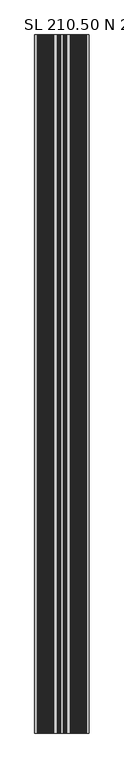
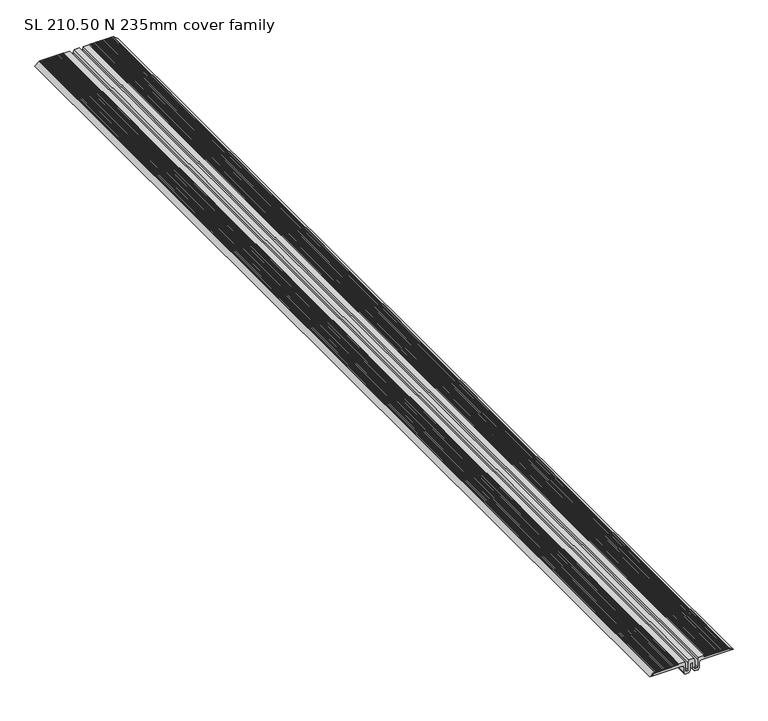
"""IFC4 building model written with IfcOpenShell, lengths in millimetres: proxy geometry, SL 210.50 N 235mm cover family."""

from ifc_helpers import new_model, si_unit, point, frame, frame_2d, origin, place, context, project, spatial, polyline, circle_curve, trimmed, segment, composite_curve, outline, extrude, source, transform, mapped, element, save


def sl_210_50_n_235mm_cover_family_3dd78d69(model_context):
    return source(origin(), model_context, "Body", "SweptSolid", [
        extrude(outline(composite_curve([segment(trimmed(circle_curve(frame_2d((22.1570887, -28.2676882)), 5.0), [point((27.1570887, -28.2676882))], [point((22.1570887, -23.2676882))], True, "CARTESIAN"), True, "CONTINUOUS"), segment(polyline([(22.1570887, -23.2676882), (6.2056963, -23.2676882), (0.4894785, -19.8272157), (0.4894785, -8.2685828), (6.2744174, -4.9291668), (24.1570887, -4.9291668)]), True, "CONTINUOUS"), segment(trimmed(circle_curve(frame_2d((24.1570887, -1.9291668)), 3.0), [point((24.1570887, -4.9291668))], [point((27.1570887, -1.9291668))], True, "CARTESIAN"), True, "CONTINUOUS"), segment(polyline([(27.1570887, -1.9291668), (27.1570887, 0.1613583)]), True, "CONTINUOUS"), segment(trimmed(circle_curve(frame_2d((24.1570887, 0.1613583)), 3.0), [point((27.1570887, 0.1613583))], [point((24.1570887, 3.1613583))], True, "CARTESIAN"), True, "CONTINUOUS"), segment(polyline([(24.1570887, 3.1613583), (6.2744174, 3.1613583), (0.4894785, 6.5007744), (0.4894785, 18.0594073), (6.2056963, 21.4998797), (22.1570887, 21.4998797)]), True, "CONTINUOUS"), segment(trimmed(circle_curve(frame_2d((22.1570887, 26.4998797)), 5.0), [point((22.1570887, 21.4998797))], [point((27.1570887, 26.4998797))], True, "CARTESIAN"), True, "CONTINUOUS"), segment(polyline([(27.1570887, 26.4998797), (27.1570887, 111.3047017), (33.3525938, 103.7199089), (33.3525938, 34.6594855), (37.7024906, 34.6594855), (37.7024906, 18.1378429), (31.3554199, 16.4433157), (10.0656007, 16.4433157)]), True, "CONTINUOUS"), segment(trimmed(circle_curve(frame_2d((10.0656007, 13.5084813)), 2.9348344), [point((10.0656007, 16.4433157))], [point((7.1307663, 13.5084813))], True, "CARTESIAN"), True, "CONTINUOUS"), segment(polyline([(7.1307663, 13.5084813), (7.1307663, 10.9055127)]), True, "CONTINUOUS"), segment(trimmed(circle_curve(frame_2d((10.0656007, 10.9055127)), 2.9348344), [point((7.1307663, 10.9055127))], [point((10.0656007, 7.9706784))], True, "CARTESIAN"), True, "CONTINUOUS"), segment(polyline([(10.0656007, 7.9706784), (31.3554199, 7.9706784), (38.3371978, 6.1702438), (38.3371978, -7.9380522), (31.3554199, -9.7384868), (10.0656007, -9.7384868)]), True, "CONTINUOUS"), segment(trimmed(circle_curve(frame_2d((10.0656007, -12.6733212)), 2.9348344), [point((10.0656007, -9.7384868))], [point((7.1307663, -12.6733212))], True, "CARTESIAN"), True, "CONTINUOUS"), segment(polyline([(7.1307663, -12.6733212), (7.1307663, -15.2762898)]), True, "CONTINUOUS"), segment(trimmed(circle_curve(frame_2d((10.0656007, -15.2762898)), 2.9348344), [point((7.1307663, -15.2762898))], [point((10.0656007, -18.2111242))], True, "CARTESIAN"), True, "CONTINUOUS"), segment(polyline([(10.0656007, -18.2111242), (31.3554199, -18.2111242), (37.7024906, -19.9056514), (37.7024906, -36.4272939), (33.3525938, -36.4272939), (33.3525938, -105.4877173), (27.1570887, -113.0725102), (27.1570887, -28.2676882)]), True, "CONTINUOUS")], self_intersect=False)), frame((0.0, 0.0, 0.0), z_axis=(0.0, 1.0, 0.0), x_axis=(0.0, 0.0, 1.0)), (0.0, 0.0, 1.0), 3000.0),
        extrude(outline(composite_curve([segment(polyline([(33.3536145, -36.4290155), (37.7024906, -36.4290155), (37.7024906, -37.3180447)]), True, "CONTINUOUS"), segment(trimmed(circle_curve(frame_2d((37.7024906, -37.8180447)), 0.5), [point((37.7024906, -37.3180447))], [point((37.7024906, -38.3180447))], True, "CARTESIAN"), True, "CONTINUOUS"), segment(polyline([(37.7024906, -38.3180447), (37.7024906, -38.8180448)]), True, "CONTINUOUS"), segment(trimmed(circle_curve(frame_2d((37.7024906, -39.3180448)), 0.5), [point((37.7024906, -38.8180448))], [point((37.7024906, -39.8180448))], True, "CARTESIAN"), True, "CONTINUOUS"), segment(polyline([(37.7024906, -39.8180448), (37.7024906, -40.3180448)]), True, "CONTINUOUS"), segment(trimmed(circle_curve(frame_2d((37.7024906, -40.8180448)), 0.5), [point((37.7024906, -40.3180448))], [point((37.7024906, -41.3180448))], True, "CARTESIAN"), True, "CONTINUOUS"), segment(polyline([(37.7024906, -41.3180448), (37.7024906, -41.8180448)]), True, "CONTINUOUS"), segment(trimmed(circle_curve(frame_2d((37.7024906, -42.3180448)), 0.5), [point((37.7024906, -41.8180448))], [point((37.7024906, -42.8180448))], True, "CARTESIAN"), True, "CONTINUOUS"), segment(polyline([(37.7024906, -42.8180448), (37.7024906, -43.3180449)]), True, "CONTINUOUS"), segment(trimmed(circle_curve(frame_2d((37.7024906, -43.8180449)), 0.5), [point((37.7024906, -43.3180449))], [point((37.7024906, -44.3180449))], True, "CARTESIAN"), True, "CONTINUOUS"), segment(polyline([(37.7024906, -44.3180449), (37.7024906, -44.8180449)]), True, "CONTINUOUS"), segment(trimmed(circle_curve(frame_2d((37.7024906, -45.3180449)), 0.5), [point((37.7024906, -44.8180449))], [point((37.7024906, -45.8180449))], True, "CARTESIAN"), True, "CONTINUOUS"), segment(polyline([(37.7024906, -45.8180449), (37.7024906, -46.3180449)]), True, "CONTINUOUS"), segment(trimmed(circle_curve(frame_2d((37.7024906, -46.8180449)), 0.5), [point((37.7024906, -46.3180449))], [point((37.7024906, -47.3180449))], True, "CARTESIAN"), True, "CONTINUOUS"), segment(polyline([(37.7024906, -47.3180449), (37.7024906, -47.818045)]), True, "CONTINUOUS"), segment(trimmed(circle_curve(frame_2d((37.7024906, -48.318045)), 0.5), [point((37.7024906, -47.818045))], [point((37.7024906, -48.818045))], True, "CARTESIAN"), True, "CONTINUOUS"), segment(polyline([(37.7024906, -48.818045), (37.7024906, -49.318045)]), True, "CONTINUOUS"), segment(trimmed(circle_curve(frame_2d((37.7024906, -49.818045)), 0.5), [point((37.7024906, -49.318045))], [point((37.7024906, -50.318045))], True, "CARTESIAN"), True, "CONTINUOUS"), segment(polyline([(37.7024906, -50.318045), (37.7024906, -50.818045)]), True, "CONTINUOUS"), segment(trimmed(circle_curve(frame_2d((37.7024906, -51.318045)), 0.5), [point((37.7024906, -50.818045))], [point((37.7024906, -51.818045))], True, "CARTESIAN"), True, "CONTINUOUS"), segment(polyline([(37.7024906, -51.818045), (37.7024906, -52.318045)]), True, "CONTINUOUS"), segment(trimmed(circle_curve(frame_2d((37.7024906, -52.818045)), 0.5), [point((37.7024906, -52.318045))], [point((37.7024906, -53.318045))], True, "CARTESIAN"), True, "CONTINUOUS"), segment(polyline([(37.7024906, -53.318045), (37.7024906, -53.8180451)]), True, "CONTINUOUS"), segment(trimmed(circle_curve(frame_2d((37.7024906, -54.3180451)), 0.5), [point((37.7024906, -53.8180451))], [point((37.7024906, -54.8180451))], True, "CARTESIAN"), True, "CONTINUOUS"), segment(polyline([(37.7024906, -54.8180451), (37.7024906, -55.3180451)]), True, "CONTINUOUS"), segment(trimmed(circle_curve(frame_2d((37.7024906, -55.8180451)), 0.5), [point((37.7024906, -55.3180451))], [point((37.7024906, -56.3180451))], True, "CARTESIAN"), True, "CONTINUOUS"), segment(polyline([(37.7024906, -56.3180451), (37.7024906, -56.8180451)]), True, "CONTINUOUS"), segment(trimmed(circle_curve(frame_2d((37.7024906, -57.3180451)), 0.5), [point((37.7024906, -56.8180451))], [point((37.7024906, -57.8180451))], True, "CARTESIAN"), True, "CONTINUOUS"), segment(polyline([(37.7024906, -57.8180451), (37.7024906, -58.3180452)]), True, "CONTINUOUS"), segment(trimmed(circle_curve(frame_2d((37.7024906, -58.8180452)), 0.5), [point((37.7024906, -58.3180452))], [point((37.7024906, -59.3180452))], True, "CARTESIAN"), True, "CONTINUOUS"), segment(polyline([(37.7024906, -59.3180452), (37.7024906, -59.8180452)]), True, "CONTINUOUS"), segment(trimmed(circle_curve(frame_2d((37.7024906, -60.3180452)), 0.5), [point((37.7024906, -59.8180452))], [point((37.7024906, -60.8180452))], True, "CARTESIAN"), True, "CONTINUOUS"), segment(polyline([(37.7024906, -60.8180452), (37.7024906, -61.3180452)]), True, "CONTINUOUS"), segment(trimmed(circle_curve(frame_2d((37.7024906, -61.8180452)), 0.5), [point((37.7024906, -61.3180452))], [point((37.7024906, -62.3180452))], True, "CARTESIAN"), True, "CONTINUOUS"), segment(polyline([(37.7024906, -62.3180452), (37.7024906, -62.8180453)]), True, "CONTINUOUS"), segment(trimmed(circle_curve(frame_2d((37.7024906, -63.3180453)), 0.5), [point((37.7024906, -62.8180453))], [point((37.7024906, -63.8180453))], True, "CARTESIAN"), True, "CONTINUOUS"), segment(polyline([(37.7024906, -63.8180453), (37.7024906, -64.3180453)]), True, "CONTINUOUS"), segment(trimmed(circle_curve(frame_2d((37.7024906, -64.8180453)), 0.5), [point((37.7024906, -64.3180453))], [point((37.7024906, -65.3180453))], True, "CARTESIAN"), True, "CONTINUOUS"), segment(polyline([(37.7024906, -65.3180453), (37.7024906, -65.8180453)]), True, "CONTINUOUS"), segment(trimmed(circle_curve(frame_2d((37.7024906, -66.3180453)), 0.5), [point((37.7024906, -65.8180453))], [point((37.7024906, -66.8180453))], True, "CARTESIAN"), True, "CONTINUOUS"), segment(polyline([(37.7024906, -66.8180453), (37.7024906, -67.3180453)]), True, "CONTINUOUS"), segment(trimmed(circle_curve(frame_2d((37.7024906, -67.8180453)), 0.5), [point((37.7024906, -67.3180453))], [point((37.7024906, -68.3180453))], True, "CARTESIAN"), True, "CONTINUOUS"), segment(polyline([(37.7024906, -68.3180453), (37.7024906, -68.8180454)]), True, "CONTINUOUS"), segment(trimmed(circle_curve(frame_2d((37.7024906, -69.3180454)), 0.5), [point((37.7024906, -68.8180454))], [point((37.7024906, -69.8180454))], True, "CARTESIAN"), True, "CONTINUOUS"), segment(polyline([(37.7024906, -69.8180454), (37.7024906, -70.3180454)]), True, "CONTINUOUS"), segment(trimmed(circle_curve(frame_2d((37.7024906, -70.8180454)), 0.5), [point((37.7024906, -70.3180454))], [point((37.7024906, -71.3180454))], True, "CARTESIAN"), True, "CONTINUOUS"), segment(polyline([(37.7024906, -71.3180454), (37.7024906, -71.8180454)]), True, "CONTINUOUS"), segment(trimmed(circle_curve(frame_2d((37.7024906, -72.3180454)), 0.5), [point((37.7024906, -71.8180454))], [point((37.7024906, -72.8180454))], True, "CARTESIAN"), True, "CONTINUOUS"), segment(polyline([(37.7024906, -72.8180454), (37.7024906, -73.3180455)]), True, "CONTINUOUS"), segment(trimmed(circle_curve(frame_2d((37.7024906, -73.8180455)), 0.5), [point((37.7024906, -73.3180455))], [point((37.7024906, -74.3180455))], True, "CARTESIAN"), True, "CONTINUOUS"), segment(polyline([(37.7024906, -74.3180455), (37.7024906, -74.8180455)]), True, "CONTINUOUS"), segment(trimmed(circle_curve(frame_2d((37.7024906, -75.3180455)), 0.5), [point((37.7024906, -74.8180455))], [point((37.7024906, -75.8180455))], True, "CARTESIAN"), True, "CONTINUOUS"), segment(polyline([(37.7024906, -75.8180455), (37.7024906, -76.3180455)]), True, "CONTINUOUS"), segment(trimmed(circle_curve(frame_2d((37.7024906, -76.8180455)), 0.5), [point((37.7024906, -76.3180455))], [point((37.7024906, -77.3180455))], True, "CARTESIAN"), True, "CONTINUOUS"), segment(polyline([(37.7024906, -77.3180455), (37.7024906, -77.8180456)]), True, "CONTINUOUS"), segment(trimmed(circle_curve(frame_2d((37.7024906, -78.3180456)), 0.5), [point((37.7024906, -77.8180456))], [point((37.7024906, -78.8180456))], True, "CARTESIAN"), True, "CONTINUOUS"), segment(polyline([(37.7024906, -78.8180456), (37.7024906, -79.3180456)]), True, "CONTINUOUS"), segment(trimmed(circle_curve(frame_2d((37.7024906, -79.8180456)), 0.5), [point((37.7024906, -79.3180456))], [point((37.7024906, -80.3180456))], True, "CARTESIAN"), True, "CONTINUOUS"), segment(polyline([(37.7024906, -80.3180456), (37.7024906, -80.8180456)]), True, "CONTINUOUS"), segment(trimmed(circle_curve(frame_2d((37.7024906, -81.3180456)), 0.5), [point((37.7024906, -80.8180456))], [point((37.7024906, -81.8180456))], True, "CARTESIAN"), True, "CONTINUOUS"), segment(polyline([(37.7024906, -81.8180456), (37.7024906, -82.3180456)]), True, "CONTINUOUS"), segment(trimmed(circle_curve(frame_2d((37.7024906, -82.8180456)), 0.5), [point((37.7024906, -82.3180456))], [point((37.7024906, -83.3180456))], True, "CARTESIAN"), True, "CONTINUOUS"), segment(polyline([(37.7024906, -83.3180456), (37.7024906, -83.8180457)]), True, "CONTINUOUS"), segment(trimmed(circle_curve(frame_2d((37.7024906, -84.3180457)), 0.5), [point((37.7024906, -83.8180457))], [point((37.7024906, -84.8180457))], True, "CARTESIAN"), True, "CONTINUOUS"), segment(polyline([(37.7024906, -84.8180457), (37.7024906, -85.3180457)]), True, "CONTINUOUS"), segment(trimmed(circle_curve(frame_2d((37.7024906, -85.8180457)), 0.5), [point((37.7024906, -85.3180457))], [point((37.7024906, -86.3180457))], True, "CARTESIAN"), True, "CONTINUOUS"), segment(polyline([(37.7024906, -86.3180457), (37.7024906, -86.8180457)]), True, "CONTINUOUS"), segment(trimmed(circle_curve(frame_2d((37.7024906, -87.3180457)), 0.5), [point((37.7024906, -86.8180457))], [point((37.7024906, -87.8180457))], True, "CARTESIAN"), True, "CONTINUOUS"), segment(polyline([(37.7024906, -87.8180457), (37.7024906, -88.3180458)]), True, "CONTINUOUS"), segment(trimmed(circle_curve(frame_2d((37.7024906, -88.8180458)), 0.5), [point((37.7024906, -88.3180458))], [point((37.7024906, -89.3180458))], True, "CARTESIAN"), True, "CONTINUOUS"), segment(polyline([(37.7024906, -89.3180458), (37.7024906, -89.8180458)]), True, "CONTINUOUS"), segment(trimmed(circle_curve(frame_2d((37.7024906, -90.3180458)), 0.5), [point((37.7024906, -89.8180458))], [point((37.7024906, -90.8180458))], True, "CARTESIAN"), True, "CONTINUOUS"), segment(polyline([(37.7024906, -90.8180458), (37.7024906, -91.3180458)]), True, "CONTINUOUS"), segment(trimmed(circle_curve(frame_2d((37.7024906, -91.8180458)), 0.5), [point((37.7024906, -91.3180458))], [point((37.7024906, -92.3180458))], True, "CARTESIAN"), True, "CONTINUOUS"), segment(polyline([(37.7024906, -92.3180458), (37.7024906, -92.8180459)]), True, "CONTINUOUS"), segment(trimmed(circle_curve(frame_2d((37.7024906, -93.3180459)), 0.5), [point((37.7024906, -92.8180459))], [point((37.7024906, -93.8180459))], True, "CARTESIAN"), True, "CONTINUOUS"), segment(polyline([(37.7024906, -93.8180459), (37.7024906, -94.3180459)]), True, "CONTINUOUS"), segment(trimmed(circle_curve(frame_2d((37.7024906, -94.8180459)), 0.5), [point((37.7024906, -94.3180459))], [point((37.7024906, -95.3180459))], True, "CARTESIAN"), True, "CONTINUOUS"), segment(polyline([(37.7024906, -95.3180459), (37.7024906, -95.8180459)]), True, "CONTINUOUS"), segment(trimmed(circle_curve(frame_2d((37.7024906, -96.3180459)), 0.5), [point((37.7024906, -95.8180459))], [point((37.7024906, -96.8180459))], True, "CARTESIAN"), True, "CONTINUOUS"), segment(polyline([(37.7024906, -96.8180459), (37.7024906, -97.3180459)]), True, "CONTINUOUS"), segment(trimmed(circle_curve(frame_2d((37.7024906, -97.8180459)), 0.5), [point((37.7024906, -97.3180459))], [point((37.7024906, -98.3180459))], True, "CARTESIAN"), True, "CONTINUOUS"), segment(polyline([(37.7024906, -98.3180459), (37.7024906, -98.818046)]), True, "CONTINUOUS"), segment(trimmed(circle_curve(frame_2d((37.7024906, -99.318046)), 0.5), [point((37.7024906, -98.818046))], [point((37.7024906, -99.818046))], True, "CARTESIAN"), True, "CONTINUOUS"), segment(polyline([(37.7024906, -99.818046), (37.7024906, -100.318046)]), True, "CONTINUOUS"), segment(trimmed(circle_curve(frame_2d((37.7024906, -100.818046)), 0.5), [point((37.7024906, -100.318046))], [point((37.7024906, -101.318046))], True, "CARTESIAN"), True, "CONTINUOUS"), segment(polyline([(37.7024906, -101.318046), (37.7024906, -101.818046)]), True, "CONTINUOUS"), segment(trimmed(circle_curve(frame_2d((37.7024906, -102.318046)), 0.5), [point((37.7024906, -101.818046))], [point((37.7024906, -102.818046))], True, "CARTESIAN"), True, "CONTINUOUS"), segment(polyline([(37.7024906, -102.818046), (37.7024906, -103.3180461)]), True, "CONTINUOUS"), segment(trimmed(circle_curve(frame_2d((37.7024906, -103.8180461)), 0.5), [point((37.7024906, -103.3180461))], [point((37.7024906, -104.3180461))], True, "CARTESIAN"), True, "CONTINUOUS"), segment(polyline([(37.7024906, -104.3180461), (37.7024906, -105.4877173), (27.1570887, -118.0881154), (27.1570887, -113.0881154), (33.3536145, -105.4877173), (33.3536145, -36.4290155)]), True, "CONTINUOUS")], self_intersect=False)), frame((0.0, 0.0, 0.0), z_axis=(0.0, 1.0, 0.0), x_axis=(0.0, 0.0, 1.0)), (0.0, 0.0, 1.0), 3000.0),
        extrude(outline(composite_curve([segment(polyline([(33.3536145, 103.7199089), (27.1570887, 111.3203069), (27.1570887, 116.3203069), (37.7024906, 103.7199089), (37.7024906, 102.5748241)]), True, "CONTINUOUS"), segment(trimmed(circle_curve(frame_2d((37.7024906, 102.0748241)), 0.5), [point((37.7024906, 102.5748241))], [point((37.7024906, 101.5748241))], True, "CARTESIAN"), True, "CONTINUOUS"), segment(polyline([(37.7024906, 101.5748241), (37.7024906, 101.0748241)]), True, "CONTINUOUS"), segment(trimmed(circle_curve(frame_2d((37.7024906, 100.5748241)), 0.5), [point((37.7024906, 101.0748241))], [point((37.7024906, 100.0748241))], True, "CARTESIAN"), True, "CONTINUOUS"), segment(polyline([(37.7024906, 100.0748241), (37.7024906, 99.574824)]), True, "CONTINUOUS"), segment(trimmed(circle_curve(frame_2d((37.7024906, 99.074824)), 0.5), [point((37.7024906, 99.574824))], [point((37.7024906, 98.574824))], True, "CARTESIAN"), True, "CONTINUOUS"), segment(polyline([(37.7024906, 98.574824), (37.7024906, 98.074824)]), True, "CONTINUOUS"), segment(trimmed(circle_curve(frame_2d((37.7024906, 97.574824)), 0.5), [point((37.7024906, 98.074824))], [point((37.7024906, 97.074824))], True, "CARTESIAN"), True, "CONTINUOUS"), segment(polyline([(37.7024906, 97.074824), (37.7024906, 96.574824)]), True, "CONTINUOUS"), segment(trimmed(circle_curve(frame_2d((37.7024906, 96.074824)), 0.5), [point((37.7024906, 96.574824))], [point((37.7024906, 95.574824))], True, "CARTESIAN"), True, "CONTINUOUS"), segment(polyline([(37.7024906, 95.574824), (37.7024906, 95.0748239)]), True, "CONTINUOUS"), segment(trimmed(circle_curve(frame_2d((37.7024906, 94.5748239)), 0.5), [point((37.7024906, 95.0748239))], [point((37.7024906, 94.0748239))], True, "CARTESIAN"), True, "CONTINUOUS"), segment(polyline([(37.7024906, 94.0748239), (37.7024906, 93.5748239)]), True, "CONTINUOUS"), segment(trimmed(circle_curve(frame_2d((37.7024906, 93.0748239)), 0.5), [point((37.7024906, 93.5748239))], [point((37.7024906, 92.5748239))], True, "CARTESIAN"), True, "CONTINUOUS"), segment(polyline([(37.7024906, 92.5748239), (37.7024906, 92.0748239)]), True, "CONTINUOUS"), segment(trimmed(circle_curve(frame_2d((37.7024906, 91.5748239)), 0.5), [point((37.7024906, 92.0748239))], [point((37.7024906, 91.0748239))], True, "CARTESIAN"), True, "CONTINUOUS"), segment(polyline([(37.7024906, 91.0748239), (37.7024906, 90.5748238)]), True, "CONTINUOUS"), segment(trimmed(circle_curve(frame_2d((37.7024906, 90.0748238)), 0.5), [point((37.7024906, 90.5748238))], [point((37.7024906, 89.5748238))], True, "CARTESIAN"), True, "CONTINUOUS"), segment(polyline([(37.7024906, 89.5748238), (37.7024906, 89.0748238)]), True, "CONTINUOUS"), segment(trimmed(circle_curve(frame_2d((37.7024906, 88.5748238)), 0.5), [point((37.7024906, 89.0748238))], [point((37.7024906, 88.0748238))], True, "CARTESIAN"), True, "CONTINUOUS"), segment(polyline([(37.7024906, 88.0748238), (37.7024906, 87.5748238)]), True, "CONTINUOUS"), segment(trimmed(circle_curve(frame_2d((37.7024906, 87.0748238)), 0.5), [point((37.7024906, 87.5748238))], [point((37.7024906, 86.5748238))], True, "CARTESIAN"), True, "CONTINUOUS"), segment(polyline([(37.7024906, 86.5748238), (37.7024906, 86.0748238)]), True, "CONTINUOUS"), segment(trimmed(circle_curve(frame_2d((37.7024906, 85.5748238)), 0.5), [point((37.7024906, 86.0748238))], [point((37.7024906, 85.0748238))], True, "CARTESIAN"), True, "CONTINUOUS"), segment(polyline([(37.7024906, 85.0748238), (37.7024906, 84.5748237)]), True, "CONTINUOUS"), segment(trimmed(circle_curve(frame_2d((37.7024906, 84.0748237)), 0.5), [point((37.7024906, 84.5748237))], [point((37.7024906, 83.5748237))], True, "CARTESIAN"), True, "CONTINUOUS"), segment(polyline([(37.7024906, 83.5748237), (37.7024906, 83.0748237)]), True, "CONTINUOUS"), segment(trimmed(circle_curve(frame_2d((37.7024906, 82.5748237)), 0.5), [point((37.7024906, 83.0748237))], [point((37.7024906, 82.0748237))], True, "CARTESIAN"), True, "CONTINUOUS"), segment(polyline([(37.7024906, 82.0748237), (37.7024906, 81.5748237)]), True, "CONTINUOUS"), segment(trimmed(circle_curve(frame_2d((37.7024906, 81.0748237)), 0.5), [point((37.7024906, 81.5748237))], [point((37.7024906, 80.5748237))], True, "CARTESIAN"), True, "CONTINUOUS"), segment(polyline([(37.7024906, 80.5748237), (37.7024906, 80.0748236)]), True, "CONTINUOUS"), segment(trimmed(circle_curve(frame_2d((37.7024906, 79.5748236)), 0.5), [point((37.7024906, 80.0748236))], [point((37.7024906, 79.0748236))], True, "CARTESIAN"), True, "CONTINUOUS"), segment(polyline([(37.7024906, 79.0748236), (37.7024906, 78.5748236)]), True, "CONTINUOUS"), segment(trimmed(circle_curve(frame_2d((37.7024906, 78.0748236)), 0.5), [point((37.7024906, 78.5748236))], [point((37.7024906, 77.5748236))], True, "CARTESIAN"), True, "CONTINUOUS"), segment(polyline([(37.7024906, 77.5748236), (37.7024906, 77.0748236)]), True, "CONTINUOUS"), segment(trimmed(circle_curve(frame_2d((37.7024906, 76.5748236)), 0.5), [point((37.7024906, 77.0748236))], [point((37.7024906, 76.0748236))], True, "CARTESIAN"), True, "CONTINUOUS"), segment(polyline([(37.7024906, 76.0748236), (37.7024906, 75.5748235)]), True, "CONTINUOUS"), segment(trimmed(circle_curve(frame_2d((37.7024906, 75.0748235)), 0.5), [point((37.7024906, 75.5748235))], [point((37.7024906, 74.5748235))], True, "CARTESIAN"), True, "CONTINUOUS"), segment(polyline([(37.7024906, 74.5748235), (37.7024906, 74.0748235)]), True, "CONTINUOUS"), segment(trimmed(circle_curve(frame_2d((37.7024906, 73.5748235)), 0.5), [point((37.7024906, 74.0748235))], [point((37.7024906, 73.0748235))], True, "CARTESIAN"), True, "CONTINUOUS"), segment(polyline([(37.7024906, 73.0748235), (37.7024906, 72.5748235)]), True, "CONTINUOUS"), segment(trimmed(circle_curve(frame_2d((37.7024906, 72.0748235)), 0.5), [point((37.7024906, 72.5748235))], [point((37.7024906, 71.5748235))], True, "CARTESIAN"), True, "CONTINUOUS"), segment(polyline([(37.7024906, 71.5748235), (37.7024906, 71.0748235)]), True, "CONTINUOUS"), segment(trimmed(circle_curve(frame_2d((37.7024906, 70.5748235)), 0.5), [point((37.7024906, 71.0748235))], [point((37.7024906, 70.0748235))], True, "CARTESIAN"), True, "CONTINUOUS"), segment(polyline([(37.7024906, 70.0748235), (37.7024906, 69.5748234)]), True, "CONTINUOUS"), segment(trimmed(circle_curve(frame_2d((37.7024906, 69.0748234)), 0.5), [point((37.7024906, 69.5748234))], [point((37.7024906, 68.5748234))], True, "CARTESIAN"), True, "CONTINUOUS"), segment(polyline([(37.7024906, 68.5748234), (37.7024906, 68.0748234)]), True, "CONTINUOUS"), segment(trimmed(circle_curve(frame_2d((37.7024906, 67.5748234)), 0.5), [point((37.7024906, 68.0748234))], [point((37.7024906, 67.0748234))], True, "CARTESIAN"), True, "CONTINUOUS"), segment(polyline([(37.7024906, 67.0748234), (37.7024906, 66.5748234)]), True, "CONTINUOUS"), segment(trimmed(circle_curve(frame_2d((37.7024906, 66.0748234)), 0.5), [point((37.7024906, 66.5748234))], [point((37.7024906, 65.5748234))], True, "CARTESIAN"), True, "CONTINUOUS"), segment(polyline([(37.7024906, 65.5748234), (37.7024906, 65.0748233)]), True, "CONTINUOUS"), segment(trimmed(circle_curve(frame_2d((37.7024906, 64.5748233)), 0.5), [point((37.7024906, 65.0748233))], [point((37.7024906, 64.0748233))], True, "CARTESIAN"), True, "CONTINUOUS"), segment(polyline([(37.7024906, 64.0748233), (37.7024906, 63.5748233)]), True, "CONTINUOUS"), segment(trimmed(circle_curve(frame_2d((37.7024906, 63.0748233)), 0.5), [point((37.7024906, 63.5748233))], [point((37.7024906, 62.5748233))], True, "CARTESIAN"), True, "CONTINUOUS"), segment(polyline([(37.7024906, 62.5748233), (37.7024906, 62.0748233)]), True, "CONTINUOUS"), segment(trimmed(circle_curve(frame_2d((37.7024906, 61.5748233)), 0.5), [point((37.7024906, 62.0748233))], [point((37.7024906, 61.0748233))], True, "CARTESIAN"), True, "CONTINUOUS"), segment(polyline([(37.7024906, 61.0748233), (37.7024906, 60.5748232)]), True, "CONTINUOUS"), segment(trimmed(circle_curve(frame_2d((37.7024906, 60.0748232)), 0.5), [point((37.7024906, 60.5748232))], [point((37.7024906, 59.5748232))], True, "CARTESIAN"), True, "CONTINUOUS"), segment(polyline([(37.7024906, 59.5748232), (37.7024906, 59.0748232)]), True, "CONTINUOUS"), segment(trimmed(circle_curve(frame_2d((37.7024906, 58.5748232)), 0.5), [point((37.7024906, 59.0748232))], [point((37.7024906, 58.0748232))], True, "CARTESIAN"), True, "CONTINUOUS"), segment(polyline([(37.7024906, 58.0748232), (37.7024906, 57.5748232)]), True, "CONTINUOUS"), segment(trimmed(circle_curve(frame_2d((37.7024906, 57.0748232)), 0.5), [point((37.7024906, 57.5748232))], [point((37.7024906, 56.5748232))], True, "CARTESIAN"), True, "CONTINUOUS"), segment(polyline([(37.7024906, 56.5748232), (37.7024906, 56.0748232)]), True, "CONTINUOUS"), segment(trimmed(circle_curve(frame_2d((37.7024906, 55.5748232)), 0.5), [point((37.7024906, 56.0748232))], [point((37.7024906, 55.0748232))], True, "CARTESIAN"), True, "CONTINUOUS"), segment(polyline([(37.7024906, 55.0748232), (37.7024906, 54.5748231)]), True, "CONTINUOUS"), segment(trimmed(circle_curve(frame_2d((37.7024906, 54.0748231)), 0.5), [point((37.7024906, 54.5748231))], [point((37.7024906, 53.5748231))], True, "CARTESIAN"), True, "CONTINUOUS"), segment(polyline([(37.7024906, 53.5748231), (37.7024906, 53.0748231)]), True, "CONTINUOUS"), segment(trimmed(circle_curve(frame_2d((37.7024906, 52.5748231)), 0.5), [point((37.7024906, 53.0748231))], [point((37.7024906, 52.0748231))], True, "CARTESIAN"), True, "CONTINUOUS"), segment(polyline([(37.7024906, 52.0748231), (37.7024906, 51.5748231)]), True, "CONTINUOUS"), segment(trimmed(circle_curve(frame_2d((37.7024906, 51.0748231)), 0.5), [point((37.7024906, 51.5748231))], [point((37.7024906, 50.5748231))], True, "CARTESIAN"), True, "CONTINUOUS"), segment(polyline([(37.7024906, 50.5748231), (37.7024906, 50.074823)]), True, "CONTINUOUS"), segment(trimmed(circle_curve(frame_2d((37.7024906, 49.574823)), 0.5), [point((37.7024906, 50.074823))], [point((37.7024906, 49.074823))], True, "CARTESIAN"), True, "CONTINUOUS"), segment(polyline([(37.7024906, 49.074823), (37.7024906, 48.574823)]), True, "CONTINUOUS"), segment(trimmed(circle_curve(frame_2d((37.7024906, 48.074823)), 0.5), [point((37.7024906, 48.574823))], [point((37.7024906, 47.574823))], True, "CARTESIAN"), True, "CONTINUOUS"), segment(polyline([(37.7024906, 47.574823), (37.7024906, 47.074823)]), True, "CONTINUOUS"), segment(trimmed(circle_curve(frame_2d((37.7024906, 46.574823)), 0.5), [point((37.7024906, 47.074823))], [point((37.7024906, 46.074823))], True, "CARTESIAN"), True, "CONTINUOUS"), segment(polyline([(37.7024906, 46.074823), (37.7024906, 45.5748229)]), True, "CONTINUOUS"), segment(trimmed(circle_curve(frame_2d((37.7024906, 45.0748229)), 0.5), [point((37.7024906, 45.5748229))], [point((37.7024906, 44.5748229))], True, "CARTESIAN"), True, "CONTINUOUS"), segment(polyline([(37.7024906, 44.5748229), (37.7024906, 44.0748229)]), True, "CONTINUOUS"), segment(trimmed(circle_curve(frame_2d((37.7024906, 43.5748229)), 0.5), [point((37.7024906, 44.0748229))], [point((37.7024906, 43.0748229))], True, "CARTESIAN"), True, "CONTINUOUS"), segment(polyline([(37.7024906, 43.0748229), (37.7024906, 42.5748229)]), True, "CONTINUOUS"), segment(trimmed(circle_curve(frame_2d((37.7024906, 42.0748229)), 0.5), [point((37.7024906, 42.5748229))], [point((37.7024906, 41.5748229))], True, "CARTESIAN"), True, "CONTINUOUS"), segment(polyline([(37.7024906, 41.5748229), (37.7024906, 41.0748229)]), True, "CONTINUOUS"), segment(trimmed(circle_curve(frame_2d((37.7024906, 40.5748229)), 0.5), [point((37.7024906, 41.0748229))], [point((37.7024906, 40.0748229))], True, "CARTESIAN"), True, "CONTINUOUS"), segment(polyline([(37.7024906, 40.0748229), (37.7024906, 39.5748228)]), True, "CONTINUOUS"), segment(trimmed(circle_curve(frame_2d((37.7024906, 39.0748228)), 0.5), [point((37.7024906, 39.5748228))], [point((37.7024906, 38.5748228))], True, "CARTESIAN"), True, "CONTINUOUS"), segment(polyline([(37.7024906, 38.5748228), (37.7024906, 38.0748228)]), True, "CONTINUOUS"), segment(trimmed(circle_curve(frame_2d((37.7024906, 37.5748228)), 0.5), [point((37.7024906, 38.0748228))], [point((37.7024906, 37.0748228))], True, "CARTESIAN"), True, "CONTINUOUS"), segment(polyline([(37.7024906, 37.0748228), (37.7024906, 36.5748228)]), True, "CONTINUOUS"), segment(trimmed(circle_curve(frame_2d((37.7024906, 36.0748228)), 0.5), [point((37.7024906, 36.5748228))], [point((37.7024906, 35.5748228))], True, "CARTESIAN"), True, "CONTINUOUS"), segment(polyline([(37.7024906, 35.5748228), (37.7024906, 34.6612071), (33.3536145, 34.6612071), (33.3536145, 103.7199089)]), True, "CONTINUOUS")], self_intersect=False)), frame((0.0, 0.0, 0.0), z_axis=(0.0, 1.0, 0.0), x_axis=(0.0, 0.0, 1.0)), (0.0, 0.0, 1.0), 3000.0),
    ])


if __name__ == "__main__":
    model = new_model("IFC4")
    model_context = context("Model", 3, world=origin())
    ifc_project = project(units=[si_unit("LENGTHUNIT", "METRE", prefix="MILLI")], contexts=[model_context])
    site = spatial("IfcSite", under=ifc_project)
    building = spatial("IfcBuilding", under=site)
    placement = place(None, origin())
    sl_210_50_n_235mm_cover_family_shape = sl_210_50_n_235mm_cover_family_3dd78d69(model_context)
    element("IfcBuildingElementProxy", 1, Name="SL 210.50 N 235mm cover family", ObjectType="SL 210.50 N 235mm cover family", at=placement, inside=building, context=model_context, shape_type="MappedRepresentation", body=[
        mapped(sl_210_50_n_235mm_cover_family_shape, transform((0.0, 0.0, 0.0), x_axis=(1.0, 0.0, 0.0), y_axis=(0.0, 1.0, 0.0), z_axis=(0.0, 0.0, 1.0))),
    ])
    save(model, "model.ifc")
